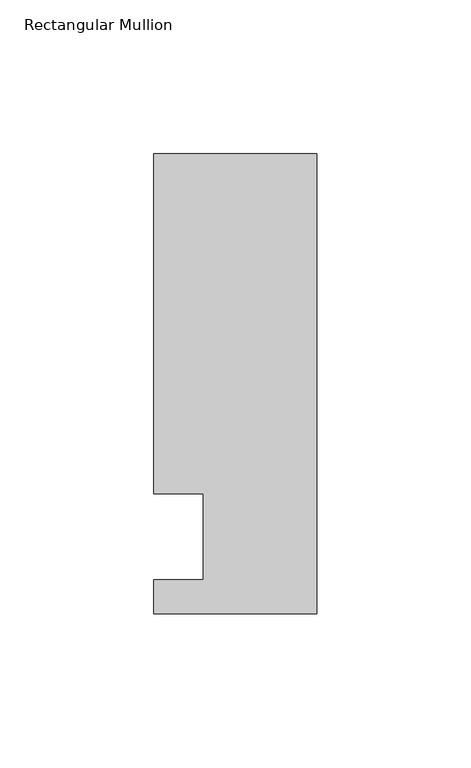
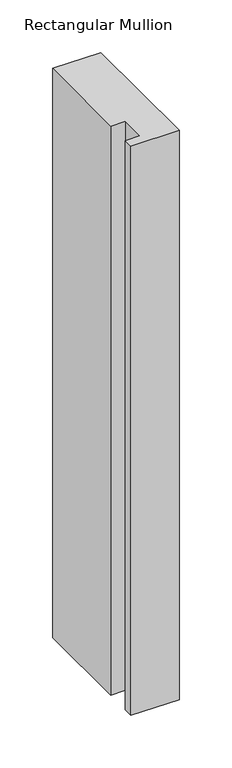
"""IFC4 building model written with IfcOpenShell, lengths in millimetres: member geometry, Rectangular Mullion."""

from ifc_helpers import new_model, si_unit, frame, origin, place, context, project, spatial, polyline, outline, extrude, source, transform, mapped, element, save


def rectangular_mullion_c3dfd539(model_context):
    return source(origin(), model_context, "Body", "SweptSolid", [
        extrude(outline(polyline([(-37.0, -13.9999453), (-37.0, 14.0000547), (-53.0, 14.0000547), (-53.0, 124.5000547), (0.0, 124.5000547), (0.0, -24.9999453), (-53.0, -24.9999453), (-53.0, -13.9999453), (-37.0, -13.9999453)])), frame((0.0, 0.0, -661.5615776), z_axis=(0.0, 0.0, 1.0), x_axis=(1.0, 0.0, 0.0)), (0.0, 0.0, 1.0), 661.5615776),
    ])


if __name__ == "__main__":
    model = new_model("IFC4")
    model_context = context("Model", 3, world=origin())
    ifc_project = project(units=[si_unit("LENGTHUNIT", "METRE", prefix="MILLI")], contexts=[model_context])
    site = spatial("IfcSite", under=ifc_project)
    building = spatial("IfcBuilding", under=site)
    placement = place(None, origin())
    rectangular_mullion_shape = rectangular_mullion_c3dfd539(model_context)
    element("IfcMember", 1, ObjectType="Rectangular Mullion", at=placement, inside=building, context=model_context, shape_type="MappedRepresentation", body=[
        mapped(rectangular_mullion_shape, transform((0.0, 0.0, 0.0), x_axis=(1.0, 0.0, 0.0), y_axis=(0.0, 1.0, 0.0), z_axis=(0.0, 0.0, 1.0))),
    ])
    save(model, "model.ifc")
